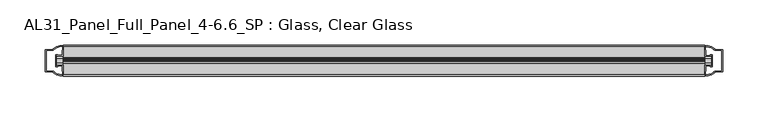
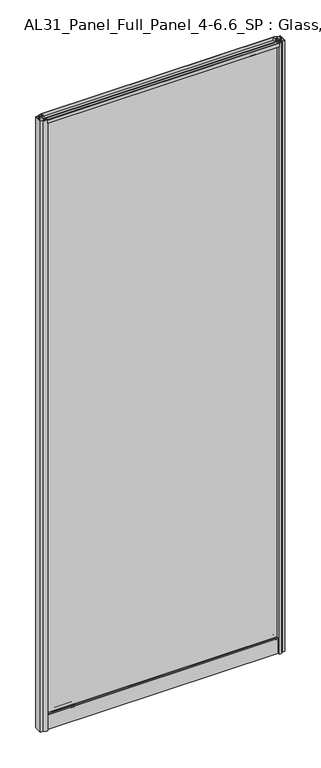
"""IFC4 building model written with IfcOpenShell, lengths in millimetres: plate geometry, AL31_Panel_Full_Panel_4-6.6_SP : Glass, Clear Glass."""

from ifc_helpers import new_model, si_unit, point, frame, frame_2d, origin, origin_with_axes, place, context, project, spatial, polyline, circle_curve, trimmed, segment, composite_curve, outline, extrude, source, transform, mapped, element, save


def al31_panel_full_panel_4_6_6_sp_glass_clear_glass_a9585eb8(model_context):
    return source(origin(), model_context, "Body", "SweptSolid", [
        extrude(outline(composite_curve([segment(polyline([(-1.4, 1968.8980762), (-0.85, 1967.9454483)]), True, "CONTINUOUS"), segment(trimmed(circle_curve(frame_2d((0.1, 1966.3)), 1.9), [point((-0.85, 1967.9454483))], [point((1.05, 1967.9454483))], True, "CARTESIAN"), True, "CONTINUOUS"), segment(polyline([(1.05, 1967.9454483), (1.6, 1968.8980762)]), True, "CONTINUOUS"), segment(trimmed(circle_curve(frame_2d((0.1, 1966.3)), 3.0), [point((1.6, 1968.8980762))], [point((2.5718414, 1964.6))], False, "CARTESIAN"), True, "CONTINUOUS"), segment(polyline([(2.5718414, 1964.6), (15.7, 1964.6), (15.7, 1974.0), (17.0, 1974.0), (17.0, 1963.5), (6.7024688, 1963.5), (6.7024688, 1962.7), (6.1968782, 1960.7785039), (6.1968782, 1956.1), (5.0, 1956.1), (5.0, 1961.4339746), (5.5, 1962.3), (5.5, 1963.5), (-5.5, 1963.5), (-5.5, 1962.3), (-5.0, 1961.4339746), (-5.0, 1956.1), (-6.1968782, 1956.1), (-6.1968782, 1960.7785039), (-6.7024688, 1962.7), (-6.7024688, 1963.5), (-17.0, 1963.5), (-17.0, 1974.0), (-15.7, 1974.0), (-15.7, 1964.6), (-2.3718414, 1964.6)]), True, "CONTINUOUS"), segment(trimmed(circle_curve(frame_2d((0.1, 1966.3)), 3.0), [point((-2.3718414, 1964.6))], [point((-1.4, 1968.8980762))], False, "CARTESIAN"), True, "CONTINUOUS")], self_intersect=False)), frame((-353.75, 0.0, 0.0), z_axis=(1.0, 0.0, 0.0), x_axis=(0.0, 1.0, 0.0)), (0.0, 0.0, 1.0), 707.5),
        extrude(outline(composite_curve([segment(polyline([(-361.5914214, -5.9), (-360.3914214, -5.9), (-360.3914214, -5.0), (-353.75, -5.0), (-353.75, -17.0001453)]), True, "CONTINUOUS"), segment(trimmed(circle_curve(frame_2d((-353.3853484, 2.9965302)), 20.0), [point((-353.75, -17.0001453))], [point((-365.1058352, -13.2093388))], False, "CARTESIAN"), True, "CONTINUOUS"), segment(polyline([(-365.1058352, -13.2093388), (-365.1058352, -12.3279343), (-373.75, -12.3279343), (-373.75, 12.3720657), (-365.1058352, 12.3720657), (-365.1058352, 13.2095249)]), True, "CONTINUOUS"), segment(trimmed(circle_curve(frame_2d((-353.3853484, -2.9963441)), 20.0), [point((-365.1058352, 13.2095249))], [point((-353.75, 17.0003314))], False, "CARTESIAN"), True, "CONTINUOUS"), segment(polyline([(-353.75, 17.0003314), (-353.75, 5.0), (-360.3914214, 5.0), (-360.3914214, 5.9), (-361.5914214, 5.9), (-361.5914214, -5.9)]), True, "CONTINUOUS")], self_intersect=False), holes=[composite_curve([segment(trimmed(circle_curve(frame_2d((-360.5914214, 5.7)), 1.5), [point((-360.5914214, 7.2))], [point((-359.2361671, 6.3428731))], False, "CARTESIAN"), True, "CONTINUOUS"), segment(polyline([(-359.2361671, 6.3428731), (-355.4914214, 6.3428731), (-355.4914214, 10.939223), (-355.0520815, 11.9998832), (-355.0520815, 15.6499817)]), True, "CONTINUOUS"), segment(trimmed(circle_curve(frame_2d((-353.3853484, -2.9755921)), 18.7), [point((-355.0520815, 15.6499817))], [point((-363.3921262, 12.8216987))], True, "CARTESIAN"), True, "CONTINUOUS"), segment(trimmed(circle_curve(frame_2d((-365.1914214, 12.8720657)), 1.8), [point((-363.3921262, 12.8216987))], [point((-365.1914214, 11.0720657))], False, "CARTESIAN"), True, "CONTINUOUS"), segment(polyline([(-365.1914214, 11.0720657), (-372.3328427, 11.0720657), (-372.3328427, 6.5019606), (-371.8914214, 5.439223), (-371.8914214, -5.3950916), (-372.3914214, -6.3879987), (-372.3914214, -11.0279343), (-365.1914214, -11.0279343)]), True, "CONTINUOUS"), segment(trimmed(circle_curve(frame_2d((-365.1914214, -12.8279343)), 1.8), [point((-365.1914214, -11.0279343))], [point((-363.3921262, -12.7775673))], False, "CARTESIAN"), True, "CONTINUOUS"), segment(trimmed(circle_curve(frame_2d((-353.3853484, 3.0197235)), 18.7), [point((-363.3921262, -12.7775673))], [point((-355.0520815, -15.6058503))], True, "CARTESIAN"), True, "CONTINUOUS"), segment(polyline([(-355.0520815, -15.6058503), (-355.0520815, -11.9557518), (-355.4914214, -10.8950916), (-355.4914214, -6.2991308), (-359.2162696, -6.2991308)]), True, "CONTINUOUS"), segment(trimmed(circle_curve(frame_2d((-360.5914214, -5.7)), 1.5), [point((-359.2162696, -6.2991308))], [point((-360.5914214, -7.2))], False, "CARTESIAN"), True, "CONTINUOUS"), segment(polyline([(-360.5914214, -7.2), (-362.8914214, -7.2), (-362.8914214, 7.2), (-360.5914214, 7.2)]), True, "CONTINUOUS")], self_intersect=False)]), origin_with_axes(), (0.0, 0.0, 1.0), 1974.0),
        extrude(outline(composite_curve([segment(polyline([(361.5914214, 5.9), (360.3914214, 5.9), (360.3914214, 5.0), (353.75, 5.0), (353.75, 17.0001453)]), True, "CONTINUOUS"), segment(trimmed(circle_curve(frame_2d((353.3853484, -2.9965302)), 20.0), [point((353.75, 17.0001453))], [point((365.1058352, 13.2093388))], False, "CARTESIAN"), True, "CONTINUOUS"), segment(polyline([(365.1058352, 13.2093388), (365.1058352, 12.3279343), (373.75, 12.3279343), (373.75, -12.3720657), (365.1058352, -12.3720657), (365.1058352, -13.2095249)]), True, "CONTINUOUS"), segment(trimmed(circle_curve(frame_2d((353.3853484, 2.9963441)), 20.0), [point((365.1058352, -13.2095249))], [point((353.75, -17.0003314))], False, "CARTESIAN"), True, "CONTINUOUS"), segment(polyline([(353.75, -17.0003314), (353.75, -5.0), (360.3914214, -5.0), (360.3914214, -5.9), (361.5914214, -5.9), (361.5914214, 5.9)]), True, "CONTINUOUS")], self_intersect=False), holes=[composite_curve([segment(trimmed(circle_curve(frame_2d((360.5914214, -5.7)), 1.5), [point((360.5914214, -7.2))], [point((359.2361671, -6.3428731))], False, "CARTESIAN"), True, "CONTINUOUS"), segment(polyline([(359.2361671, -6.3428731), (355.4914214, -6.3428731), (355.4914214, -10.939223), (355.0520815, -11.9998832), (355.0520815, -15.6499817)]), True, "CONTINUOUS"), segment(trimmed(circle_curve(frame_2d((353.3853484, 2.9755921)), 18.7), [point((355.0520815, -15.6499817))], [point((363.3921262, -12.8216987))], True, "CARTESIAN"), True, "CONTINUOUS"), segment(trimmed(circle_curve(frame_2d((365.1914214, -12.8720657)), 1.8), [point((363.3921262, -12.8216987))], [point((365.1914214, -11.0720657))], False, "CARTESIAN"), True, "CONTINUOUS"), segment(polyline([(365.1914214, -11.0720657), (372.3328427, -11.0720657), (372.3328427, -6.5019606), (371.8914214, -5.439223), (371.8914214, 5.3950916), (372.3914214, 6.3879987), (372.3914214, 11.0279343), (365.1914214, 11.0279343)]), True, "CONTINUOUS"), segment(trimmed(circle_curve(frame_2d((365.1914214, 12.8279343)), 1.8), [point((365.1914214, 11.0279343))], [point((363.3921262, 12.7775673))], False, "CARTESIAN"), True, "CONTINUOUS"), segment(trimmed(circle_curve(frame_2d((353.3853484, -3.0197235)), 18.7), [point((363.3921262, 12.7775673))], [point((355.0520815, 15.6058503))], True, "CARTESIAN"), True, "CONTINUOUS"), segment(polyline([(355.0520815, 15.6058503), (355.0520815, 11.9557518), (355.4914214, 10.8950916), (355.4914214, 6.2991308), (359.2162696, 6.2991308)]), True, "CONTINUOUS"), segment(trimmed(circle_curve(frame_2d((360.5914214, 5.7)), 1.5), [point((359.2162696, 6.2991308))], [point((360.5914214, 7.2))], False, "CARTESIAN"), True, "CONTINUOUS"), segment(polyline([(360.5914214, 7.2), (362.8914214, 7.2), (362.8914214, -7.2), (360.5914214, -7.2)]), True, "CONTINUOUS")], self_intersect=False)]), origin_with_axes(), (0.0, 0.0, 1.0), 1974.0),
        extrude(outline(composite_curve([segment(trimmed(circle_curve(frame_2d((-8.4, 34.8)), 1.0), [point((-8.4, 35.8))], [point((-9.4, 34.8))], True, "CARTESIAN"), True, "CONTINUOUS"), segment(polyline([(-9.4, 34.8), (-9.4, 33.5), (-5.0000303, 33.5), (-5.0000303, 32.3), (-9.4, 32.3), (-9.4, 0.0), (-10.6, 0.0), (-10.6, 47.3)]), True, "CONTINUOUS"), segment(trimmed(circle_curve(frame_2d((-8.6, 47.3)), 2.0), [point((-10.6, 47.3))], [point((-8.6, 49.3))], False, "CARTESIAN"), True, "CONTINUOUS"), segment(polyline([(-8.6, 49.3), (-5.0, 49.3), (-5.0, 41.9), (5.0, 41.9), (5.0, 49.3), (8.6, 49.3)]), True, "CONTINUOUS"), segment(trimmed(circle_curve(frame_2d((8.6, 47.3)), 2.0), [point((8.6, 49.3))], [point((10.6, 47.3))], False, "CARTESIAN"), True, "CONTINUOUS"), segment(polyline([(10.6, 47.3), (10.6, 0.0), (9.4, 0.0), (9.4, 32.3), (4.9999697, 32.3), (4.9999697, 33.5), (9.4, 33.5), (9.4, 34.8)]), True, "CONTINUOUS"), segment(trimmed(circle_curve(frame_2d((8.4, 34.8)), 1.0), [point((9.4, 34.8))], [point((8.4, 35.8))], True, "CARTESIAN"), True, "CONTINUOUS"), segment(polyline([(8.4, 35.8), (-8.4, 35.8)]), True, "CONTINUOUS")], self_intersect=False), holes=[composite_curve([segment(trimmed(circle_curve(frame_2d((5.5024688, 41.8)), 1.0), [point((6.5024688, 41.8))], [point((5.5024688, 40.8))], False, "CARTESIAN"), True, "CONTINUOUS"), segment(polyline([(5.5024688, 40.8), (2.8008965, 40.8), (2.8008965, 39.7274194), (1.8370508, 39.7274194)]), True, "CONTINUOUS"), segment(trimmed(circle_curve(frame_2d((0.0, 38.7)), 2.1048387), [point((1.8370508, 39.7274194))], [point((-1.8370508, 39.7274194))], True, "CARTESIAN"), True, "CONTINUOUS"), segment(polyline([(-1.8370508, 39.7274194), (-2.8008965, 39.7274194), (-2.8008965, 40.8), (-5.5024688, 40.8)]), True, "CONTINUOUS"), segment(trimmed(circle_curve(frame_2d((-5.5024688, 41.8)), 1.0), [point((-5.5024688, 40.8))], [point((-6.5024688, 41.8))], False, "CARTESIAN"), True, "CONTINUOUS"), segment(polyline([(-6.5024688, 41.8), (-6.5024688, 42.7)]), True, "CONTINUOUS"), segment(trimmed(circle_curve(frame_2d((-5.3024688, 42.7)), 1.2), [point((-6.5024688, 42.7))], [point((-6.1198184, 43.5786009))], False, "CARTESIAN"), True, "CONTINUOUS"), segment(polyline([(-6.1198184, 43.5786009), (-6.1198184, 48.2), (-8.4, 48.2)]), True, "CONTINUOUS"), segment(trimmed(circle_curve(frame_2d((-8.4, 47.2)), 1.0), [point((-8.4, 48.2))], [point((-9.4, 47.2))], True, "CARTESIAN"), True, "CONTINUOUS"), segment(polyline([(-9.4, 47.2), (-9.4, 37.04), (-2.8008965, 37.04), (-2.8008965, 38.0725806), (-1.8370508, 38.0725806)]), True, "CONTINUOUS"), segment(trimmed(circle_curve(frame_2d((0.0, 39.1)), 2.1048387), [point((-1.8370508, 38.0725806))], [point((1.8370508, 38.0725806))], True, "CARTESIAN"), True, "CONTINUOUS"), segment(polyline([(1.8370508, 38.0725806), (2.8008965, 38.0725806), (2.8008965, 37.04), (9.4, 37.04), (9.4, 47.2)]), True, "CONTINUOUS"), segment(trimmed(circle_curve(frame_2d((8.4, 47.2)), 1.0), [point((9.4, 47.2))], [point((8.4, 48.2))], True, "CARTESIAN"), True, "CONTINUOUS"), segment(polyline([(8.4, 48.2), (6.1198184, 48.2), (6.1198184, 43.7786009)]), True, "CONTINUOUS"), segment(trimmed(circle_curve(frame_2d((5.3024688, 42.9)), 1.2), [point((6.1198184, 43.7786009))], [point((6.5024688, 42.9))], False, "CARTESIAN"), True, "CONTINUOUS"), segment(polyline([(6.5024688, 42.9), (6.5024688, 41.8)]), True, "CONTINUOUS")], self_intersect=False)]), frame((-353.75, 0.0, 0.0), z_axis=(1.0, 0.0, 0.0), x_axis=(0.0, 1.0, 0.0)), (0.0, 0.0, 1.0), 707.5),
        extrude(outline(polyline([(361.5914214, 2.0), (361.5914214, -2.0), (-361.5914214, -2.0), (-361.5914214, 2.0), (361.5914214, 2.0)])), frame((0.0, 0.0, 41.9), z_axis=(0.0, 0.0, 1.0), x_axis=(1.0, 0.0, 0.0)), (0.0, 0.0, 1.0), 1921.6),
    ])


if __name__ == "__main__":
    model = new_model("IFC4")
    model_context = context("Model", 3, world=origin())
    ifc_project = project(units=[si_unit("LENGTHUNIT", "METRE", prefix="MILLI")], contexts=[model_context])
    site = spatial("IfcSite", under=ifc_project)
    building = spatial("IfcBuilding", under=site)
    placement = place(None, origin())
    al31_panel_full_panel_4_6_6_sp_glass_clear_glass_shape = al31_panel_full_panel_4_6_6_sp_glass_clear_glass_a9585eb8(model_context)
    element("IfcPlate", 1, ObjectType="AL31_Panel_Full_Panel_4-6.6_SP : Glass, Clear Glass", at=placement, inside=building, context=model_context, shape_type="MappedRepresentation", body=[
        mapped(al31_panel_full_panel_4_6_6_sp_glass_clear_glass_shape, transform((0.0, 0.0, 0.0), x_axis=(1.0, 0.0, 0.0), y_axis=(0.0, 1.0, 0.0), z_axis=(0.0, 0.0, 1.0))),
    ])
    save(model, "model.ifc")
